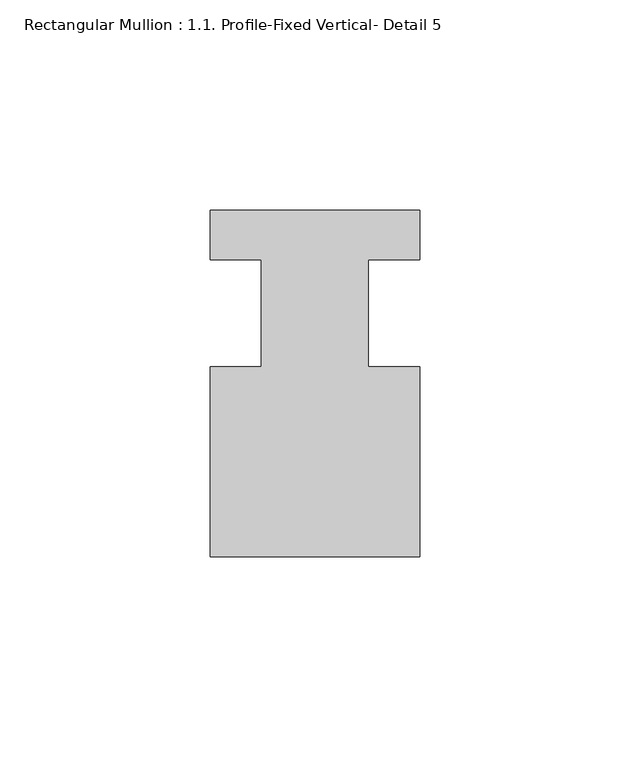
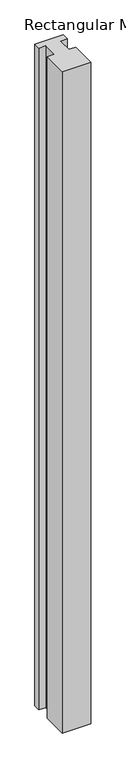
"""IFC4 building model written with IfcOpenShell, lengths in millimetres: member geometry, Rectangular Mullion : 1.1. Profile-Fixed Vertical- Detail 5."""

import ifcopenshell
import ifcopenshell.guid

model = None  # the IFC model being written
_history = None  # IfcOwnerHistory: only IFC2X3 demands one
_inside = {}  # id of a spatial element -> (the spatial element, [elements in it])
_under = {}  # id of a project, library or spatial element -> (it, [spatial elements below it])
_declared = {}  # id of a project -> (the project, [libraries it declares])
_typed = {}  # id of a type object -> (the type object, [elements of that type])
_made_of = {}  # id of a material, layer set ... -> (it, [elements and type objects made of it])


def new_model(schema):
    """Start an empty IFC model of exactly this schema.

    Asked for "IFC4X3", IfcOpenShell would pick the latest addendum, in which some entities
    have other attributes; the version numbers below select the first issue.
    IFC2X3 requires an IfcOwnerHistory on every rooted entity: one is made here for all.
    """
    global model, _history
    if schema == "IFC4X3":
        model = ifcopenshell.file(schema_version=(4, 3, 0, 0))
    else:
        model = ifcopenshell.file(schema=schema)
    _inside.clear()
    _under.clear()
    _declared.clear()
    _typed.clear()
    _made_of.clear()
    _history = None
    if model.schema == "IFC2X3":
        org = make("IfcOrganization", Name="unknown")
        user = make(
            "IfcPersonAndOrganization",
            ThePerson=make("IfcPerson", FamilyName="unknown"),
            TheOrganization=org,
        )
        app = make(
            "IfcApplication",
            ApplicationDeveloper=org,
            Version="unknown",
            ApplicationFullName="unknown",
            ApplicationIdentifier="unknown",
        )
        _history = make(
            "IfcOwnerHistory",
            OwningUser=user,
            OwningApplication=app,
            ChangeAction="ADDED",
            CreationDate=0,
        )
    return model


def make(cls, **values):
    """One entity of the class cls with the attributes given. An attribute that is None is left unset."""
    return model.create_entity(
        cls, **{name: value for name, value in values.items() if value is not None}
    )


def rooted(cls, **values):
    """An entity with a GlobalId (a new one), such as an element, a storey or a relation."""
    return make(cls, GlobalId=ifcopenshell.guid.new(), OwnerHistory=_history, **values)


def si_unit(unit_type, name, prefix=None):
    """IfcSIUnit, for example si_unit("LENGTHUNIT", "METRE", prefix="MILLI")."""
    return make("IfcSIUnit", UnitType=unit_type, Prefix=prefix, Name=name)


def assignment(units):
    """IfcUnitAssignment: the units of a project."""
    return None if units is None else make("IfcUnitAssignment", Units=units)


def point(xyz):
    """IfcCartesianPoint."""
    return None if xyz is None else make("IfcCartesianPoint", Coordinates=xyz)


def direction(xyz):
    """IfcDirection."""
    return None if xyz is None else make("IfcDirection", DirectionRatios=xyz)


def frame(location, z_axis=None, x_axis=None):
    """IfcAxis2Placement3D, a coordinate frame: its origin and axes. An axis left out is left unset."""
    return make(
        "IfcAxis2Placement3D",
        Location=point(location),
        Axis=direction(z_axis),
        RefDirection=direction(x_axis),
    )


def origin():
    """The frame at (0, 0, 0) with its axes left unset."""
    return frame((0.0, 0.0, 0.0))


def place(relative_to, where):
    """IfcLocalPlacement: puts the frame where relative to a parent placement (None: the world)."""
    return make(
        "IfcLocalPlacement", PlacementRelTo=relative_to, RelativePlacement=where
    )


def context(
    kind, dimensions, precision=None, world=None, true_north=None, identifier=None
):
    """IfcGeometricRepresentationContext, for example the 3D "Model" context."""
    return make(
        "IfcGeometricRepresentationContext",
        ContextIdentifier=identifier,
        ContextType=kind,
        CoordinateSpaceDimension=dimensions,
        Precision=precision,
        WorldCoordinateSystem=world,
        TrueNorth=true_north,
    )


def project(units=None, contexts=None):
    """IfcProject with its units and contexts."""
    return rooted(
        "IfcProject",
        Name="project",
        RepresentationContexts=contexts,
        UnitsInContext=assignment(units),
    )


def spatial(cls, under=None, at=None, **own):
    """A site, building, storey or space (cls), placed at a placement, below another one or the project."""
    s = rooted(cls, ObjectPlacement=at, **own)
    if under is not None:
        _under.setdefault(under.id(), (under, []))[1].append(s)
    return s


def polyline(points):
    """IfcPolyline through the points."""
    return make("IfcPolyline", Points=[point(p) for p in points])


def outline(outer, holes=None, kind="AREA"):
    """IfcArbitraryClosedProfileDef: a profile drawn as a closed curve; with holes, ...WithVoids."""
    if holes is None:
        return make("IfcArbitraryClosedProfileDef", ProfileType=kind, OuterCurve=outer)
    return make(
        "IfcArbitraryProfileDefWithVoids",
        ProfileType=kind,
        OuterCurve=outer,
        InnerCurves=holes,
    )


def extrude(swept, where, along, depth):
    """IfcExtrudedAreaSolid: the profile swept, set in the frame where, extruded along a direction by depth."""
    return make(
        "IfcExtrudedAreaSolid",
        SweptArea=swept,
        Position=where,
        ExtrudedDirection=direction(along),
        Depth=depth,
    )


def shape(context_of_items, identifier, shape_type, items):
    """IfcShapeRepresentation: the items that make up one representation, for example the "Body"."""
    return make(
        "IfcShapeRepresentation",
        ContextOfItems=context_of_items,
        RepresentationIdentifier=identifier,
        RepresentationType=shape_type,
        Items=items,
    )


def source(mapping_origin, context_of_items, identifier, shape_type, items):
    """IfcRepresentationMap: a shape defined once, which mapped items show again and again."""
    return make(
        "IfcRepresentationMap",
        MappingOrigin=mapping_origin,
        MappedRepresentation=shape(context_of_items, identifier, shape_type, items),
    )


def transform(
    local_origin,
    x_axis=None,
    y_axis=None,
    z_axis=None,
    scale=None,
    scale2=None,
    scale3=None,
    uniform=True,
):
    """IfcCartesianTransformationOperator3D, or its non-uniform kind. x_axis, y_axis, z_axis: its Axis1, 2, 3."""
    if uniform:
        return make(
            "IfcCartesianTransformationOperator3D",
            Axis1=direction(x_axis),
            Axis2=direction(y_axis),
            LocalOrigin=point(local_origin),
            Scale=scale,
            Axis3=direction(z_axis),
        )
    return make(
        "IfcCartesianTransformationOperator3DnonUniform",
        Axis1=direction(x_axis),
        Axis2=direction(y_axis),
        LocalOrigin=point(local_origin),
        Scale=scale,
        Axis3=direction(z_axis),
        Scale2=scale2,
        Scale3=scale3,
    )


def mapped(mapping_source, mapping_target):
    """IfcMappedItem: shows the shape of a source again, moved by a transform."""
    return make(
        "IfcMappedItem", MappingSource=mapping_source, MappingTarget=mapping_target
    )


def made_of(thing, what):
    """Note that an element or type object is made of a material, layer set ...; save() writes the relation."""
    if what is not None:
        _made_of.setdefault(what.id(), (what, []))[1].append(thing)
    return thing


def element(
    cls,
    number,
    at=None,
    inside=None,
    cuts=None,
    type_object=None,
    material=None,
    context=None,
    identifier="Body",
    shape_type=None,
    held_by="IfcProductDefinitionShape",
    body=None,
    shapes=None,
    **own,
):
    """One element of the class cls, such as IfcWall. Its Tag is "e" and its number.

    at: its placement. inside: the storey or other place that contains it. cuts: it is an
    opening in that element (IfcRelVoidsElement). A single representation is given by context,
    identifier, shape_type and body (its items); several are given by shapes. held_by: the class
    of the entity that holds the representations. save() writes the other relations.
    """
    e = rooted(cls, Tag="e%d" % number, ObjectPlacement=at, **own)
    if body is not None:
        shapes = [shape(context, identifier, shape_type, body)]
    if shapes is not None:
        e.Representation = make(held_by, Representations=shapes)
    if inside is not None:
        _inside.setdefault(inside.id(), (inside, []))[1].append(e)
    if cuts is not None:
        rooted(
            "IfcRelVoidsElement", RelatingBuildingElement=cuts, RelatedOpeningElement=e
        )
    if type_object is not None:
        _typed.setdefault(type_object.id(), (type_object, []))[1].append(e)
    return made_of(e, material)


def aggregate(whole, parts):
    """IfcRelAggregates: a whole, such as a stair, and the parts it consists of."""
    return rooted("IfcRelAggregates", RelatingObject=whole, RelatedObjects=parts)


def save(model, path):
    """Write the relations noted so far, then the file.

    IfcRelAggregates (storeys below a building ...), IfcRelContainedInSpatialStructure (elements
    in a storey), IfcRelDefinesByType, IfcRelAssociatesMaterial and IfcRelDeclares: one each for
    every whole, place, type object, material and project.
    """
    for whole, parts in _under.values():
        aggregate(whole, parts)
    for where, things in _inside.values():
        rooted(
            "IfcRelContainedInSpatialStructure",
            RelatedElements=things,
            RelatingStructure=where,
        )
    for kind, things in _typed.values():
        rooted("IfcRelDefinesByType", RelatedObjects=things, RelatingType=kind)
    for what, things in _made_of.values():
        rooted("IfcRelAssociatesMaterial", RelatedObjects=things, RelatingMaterial=what)
    for by, libraries in _declared.values():
        rooted("IfcRelDeclares", RelatingContext=by, RelatedDefinitions=libraries)
    model.write(path)


def rectangular_mullion_1_1_profile_fixed_vertical_detail_5_8973cb8c(model_context):
    return source(origin(), model_context, "Body", "SweptSolid", [
        extrude(outline(polyline([(-24.9174, 41.6174662), (24.9174, 41.6174662), (24.9174, 29.7810662), (12.7, 29.7810662), (12.7, 4.3810662), (24.9174, 4.3810662), (24.9174, -40.9325338), (-24.9174, -40.9325338), (-24.9174, 4.3810662), (-12.7, 4.3810662), (-12.7, 29.7810662), (-24.9174, 29.7810662), (-24.9174, 41.6174662)])), frame((0.0, 0.0, -1219.2), z_axis=(0.0, 0.0, 1.0), x_axis=(1.0, 0.0, 0.0)), (0.0, 0.0, 1.0), 1219.2),
    ])


if __name__ == "__main__":
    model = new_model("IFC4")
    model_context = context("Model", 3, world=origin())
    ifc_project = project(units=[si_unit("LENGTHUNIT", "METRE", prefix="MILLI")], contexts=[model_context])
    site = spatial("IfcSite", under=ifc_project)
    building = spatial("IfcBuilding", under=site)
    placement = place(None, origin())
    rectangular_mullion_1_1_profile_fixed_vertical_detail_5_shape = rectangular_mullion_1_1_profile_fixed_vertical_detail_5_8973cb8c(model_context)
    element("IfcMember", 1, ObjectType="Rectangular Mullion : 1.1. Profile-Fixed Vertical- Detail 5", at=placement, inside=building, context=model_context, shape_type="MappedRepresentation", body=[
        mapped(rectangular_mullion_1_1_profile_fixed_vertical_detail_5_shape, transform((0.0, 0.0, 0.0), x_axis=(1.0, 0.0, 0.0), y_axis=(0.0, 1.0, 0.0), z_axis=(0.0, 0.0, 1.0))),
    ])
    save(model, "model.ifc")
